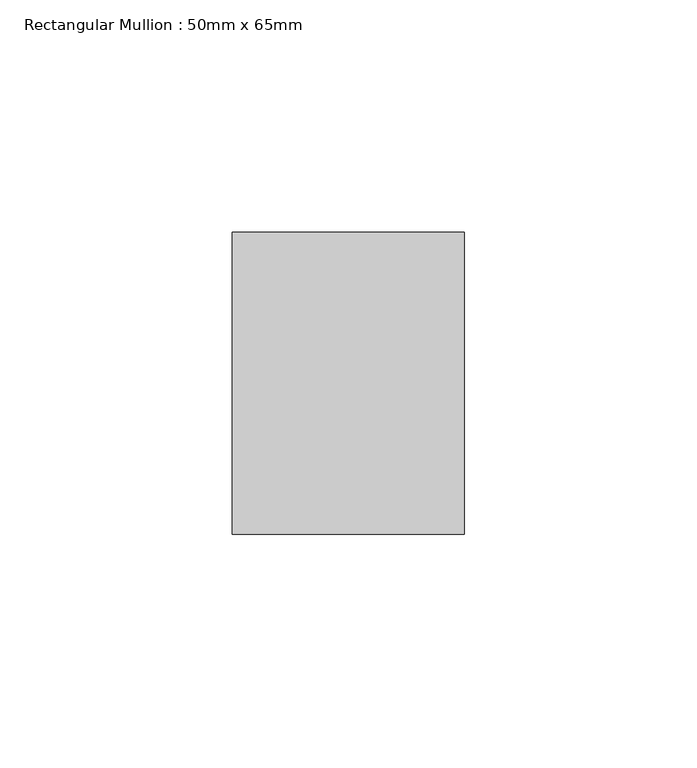
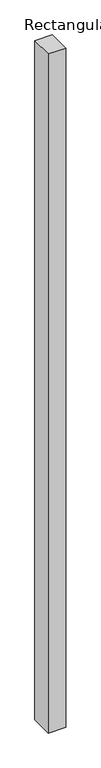
"""IFC4 building model written with IfcOpenShell, lengths in millimetres: member geometry, Rectangular Mullion : 50mm x 65mm."""

from ifc_helpers import new_model, si_unit, frame, origin, place, context, project, spatial, polyline, outline, extrude, source, transform, mapped, element, save


def rectangular_mullion_50mm_x_65mm_6e2aa399(model_context):
    return source(origin(), model_context, "Body", "SweptSolid", [
        extrude(outline(polyline([(25.0, 32.5), (25.0, -32.5), (-25.0, -32.5), (-25.0, 32.5), (25.0, 32.5)])), frame((0.0, 0.0, -2042.0396822), z_axis=(0.0, 0.0, 1.0), x_axis=(1.0, 0.0, 0.0)), (0.0, 0.0, 1.0), 2042.0396822),
    ])


if __name__ == "__main__":
    model = new_model("IFC4")
    model_context = context("Model", 3, world=origin())
    ifc_project = project(units=[si_unit("LENGTHUNIT", "METRE", prefix="MILLI")], contexts=[model_context])
    site = spatial("IfcSite", under=ifc_project)
    building = spatial("IfcBuilding", under=site)
    placement = place(None, origin())
    rectangular_mullion_50mm_x_65mm_shape = rectangular_mullion_50mm_x_65mm_6e2aa399(model_context)
    element("IfcMember", 1, ObjectType="Rectangular Mullion : 50mm x 65mm", at=placement, inside=building, context=model_context, shape_type="MappedRepresentation", body=[
        mapped(rectangular_mullion_50mm_x_65mm_shape, transform((0.0, 0.0, 0.0), x_axis=(1.0, 0.0, 0.0), y_axis=(0.0, 1.0, 0.0), z_axis=(0.0, 0.0, 1.0))),
    ])
    save(model, "model.ifc")
